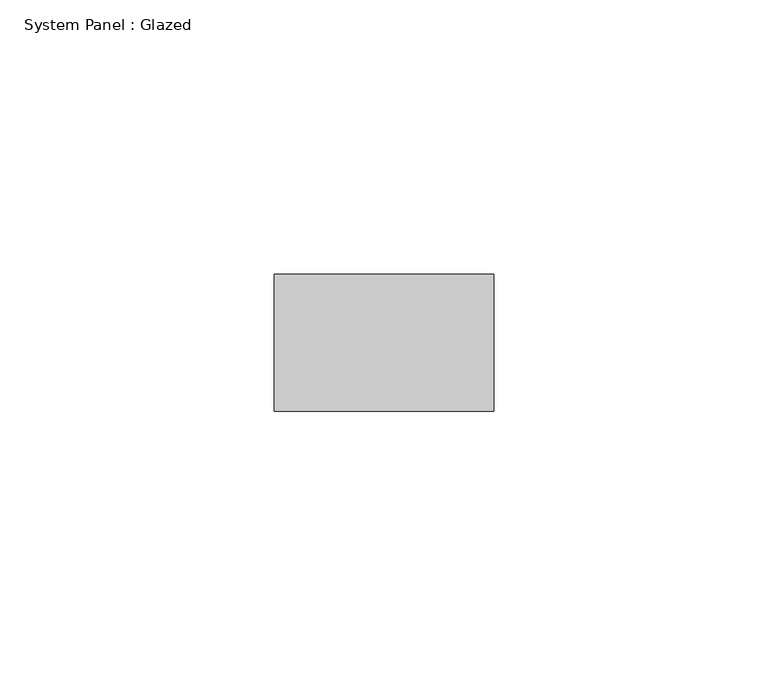
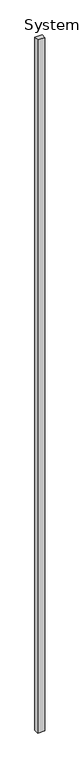
"""IFC4 building model written with IfcOpenShell, lengths in millimetres: plate geometry, System Panel : Glazed."""

from ifc_helpers import new_model, si_unit, origin, origin_with_axes, place, context, project, spatial, polyline, outline, extrude, source, transform, mapped, element, save


def system_panel_glazed_f25a0173(model_context):
    return source(origin(), model_context, "Body", "SweptSolid", [
        extrude(outline(polyline([(20.0, -49.5), (-20.0, -49.5), (-20.0, -24.5), (20.0, -24.5), (20.0, -49.5)])), origin_with_axes(), (0.0, 0.0, 1.0), 4000.0),
    ])


if __name__ == "__main__":
    model = new_model("IFC4")
    model_context = context("Model", 3, world=origin())
    ifc_project = project(units=[si_unit("LENGTHUNIT", "METRE", prefix="MILLI")], contexts=[model_context])
    site = spatial("IfcSite", under=ifc_project)
    building = spatial("IfcBuilding", under=site)
    placement = place(None, origin())
    system_panel_glazed_shape = system_panel_glazed_f25a0173(model_context)
    element("IfcPlate", 1, ObjectType="System Panel : Glazed", at=placement, inside=building, context=model_context, shape_type="MappedRepresentation", body=[
        mapped(system_panel_glazed_shape, transform((0.0, 0.0, 0.0), x_axis=(1.0, 0.0, 0.0), y_axis=(0.0, 1.0, 0.0), z_axis=(0.0, 0.0, 1.0))),
    ])
    save(model, "model.ifc")
